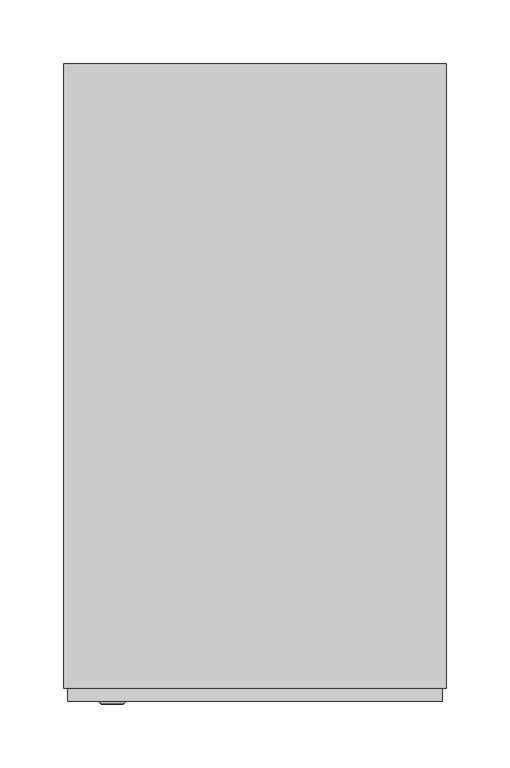
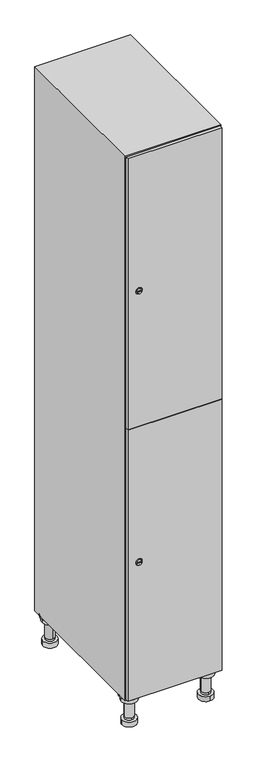
"""IFC4 building model written with IfcOpenShell, lengths in millimetres: furniture geometry."""

from ifc_helpers import new_model, si_unit, point, frame, frame_2d, origin, place, context, project, spatial, polyline, circle_curve, trimmed, segment, composite_curve, outline, extrude, faceted_brep, source, transform, mapped, element, save
from ifc_brep_helpers import plane_surface, cylinder_surface, revolved_surface, advanced_brep


def furniture_516c0c6d(model_context):
    return source(origin(), model_context, "Body", "SolidModel", [
        advanced_brep(
        [(70.0, -201.0, 22.0), (70.0, -201.5, 16.0), (70.0, -228.5, 16.0), (70.0, -229.0, 22.0), (56.0, -215.0, 22.0), (84.0, -215.0, 22.0), (70.0, -192.5, 16.0), (70.0, -237.5, 16.0), (70.0, -192.5, 0.0), (70.0, -237.5, 0.0), (84.0, -215.0, 78.0), (56.0, -215.0, 78.0), (95.0, -215.0, 78.0), (45.0, -215.0, 78.0), (100.0, -215.0, 94.0), (40.0, -215.0, 94.0), (45.0, -215.0, 94.0), (95.0, -215.0, 94.0), (100.0, -215.0, 100.0), (40.0, -215.0, 100.0)],
        [
            (0, 1),
            (1, 2, circle_curve(frame((70.0, -215.0, 16.0), z_axis=(0.0, 0.0, 1.0), x_axis=(0.0, -1.0, 0.0)), 13.5)),
            (2, 3),
            (3, 4, circle_curve(frame((70.0, -215.0, 22.0), z_axis=(0.0, 0.0, -1.0), x_axis=(0.0, -1.0, 0.0)), 14.0)),
            (4, 0, circle_curve(frame((70.0, -215.0, 22.0), z_axis=(0.0, 0.0, -1.0), x_axis=(0.0, -1.0, 0.0)), 14.0)),
            (0, 5, circle_curve(frame((70.0, -215.0, 22.0), z_axis=(0.0, 0.0, -1.0), x_axis=(0.0, 1.0, 0.0)), 14.0)),
            (5, 3, circle_curve(frame((70.0, -215.0, 22.0), z_axis=(0.0, 0.0, -1.0), x_axis=(0.0, 1.0, 0.0)), 14.0)),
            (2, 1, circle_curve(frame((70.0, -215.0, 16.0), z_axis=(0.0, 0.0, 1.0), x_axis=(0.0, 1.0, 0.0)), 13.5)),
            (6, 7, circle_curve(frame((70.0, -215.0, 16.0), z_axis=(0.0, 0.0, 1.0), x_axis=(0.0, -1.0, 0.0)), 22.5)),
            (7, 6, circle_curve(frame((70.0, -215.0, 16.0), z_axis=(0.0, 0.0, 1.0), x_axis=(0.0, -1.0, 0.0)), 22.5)),
            (8, 9, circle_curve(frame((70.0, -215.0, 0.0), z_axis=(0.0, 0.0, -1.0), x_axis=(0.0, -1.0, 0.0)), 22.5)),
            (9, 8, circle_curve(frame((70.0, -215.0, 0.0), z_axis=(0.0, 0.0, -1.0), x_axis=(0.0, -1.0, 0.0)), 22.5)),
            (6, 8),
            (9, 7),
            (5, 10),
            (10, 11, circle_curve(frame((70.0, -215.0, 78.0), z_axis=(0.0, 0.0, -1.0), x_axis=(-1.0, 0.0, 0.0)), 14.0)),
            (11, 4),
            (11, 10, circle_curve(frame((70.0, -215.0, 78.0), z_axis=(0.0, 0.0, -1.0), x_axis=(-1.0, 0.0, 0.0)), 14.0)),
            (12, 13, circle_curve(frame((70.0, -215.0, 78.0), z_axis=(0.0, 0.0, -1.0), x_axis=(-1.0, 0.0, 0.0)), 25.0)),
            (13, 12, circle_curve(frame((70.0, -215.0, 78.0), z_axis=(0.0, 0.0, -1.0), x_axis=(-1.0, 0.0, 0.0)), 25.0)),
            (14, 15, circle_curve(frame((70.0, -215.0, 94.0), z_axis=(0.0, 0.0, -1.0), x_axis=(-1.0, 0.0, 0.0)), 30.0)),
            (15, 14, circle_curve(frame((70.0, -215.0, 94.0), z_axis=(0.0, 0.0, -1.0), x_axis=(-1.0, 0.0, 0.0)), 30.0)),
            (16, 17, circle_curve(frame((70.0, -215.0, 94.0), z_axis=(0.0, 0.0, 1.0), x_axis=(-1.0, 0.0, 0.0)), 25.0)),
            (17, 16, circle_curve(frame((70.0, -215.0, 94.0), z_axis=(0.0, 0.0, 1.0), x_axis=(-1.0, 0.0, 0.0)), 25.0)),
            (18, 19, circle_curve(frame((70.0, -215.0, 100.0), z_axis=(0.0, 0.0, 1.0), x_axis=(-1.0, 0.0, 0.0)), 30.0)),
            (19, 18, circle_curve(frame((70.0, -215.0, 100.0), z_axis=(0.0, 0.0, 1.0), x_axis=(-1.0, 0.0, 0.0)), 30.0)),
            (14, 18),
            (19, 15),
            (12, 17),
            (16, 13),
        ],
        [
            revolved_surface(polyline([(70.0, -201.5, 16.0), (70.0, -201.0, 22.0)]), (70.0, -215.0, -146.0), (0.0, 0.0, 1.0)),
            plane_surface(frame((70.0, 0.0, 16.0), z_axis=(0.0, 0.0, 1.0), x_axis=(0.0, -1.0, 0.0))),
            plane_surface(frame((70.0, 0.0, 0.0), z_axis=(0.0, 0.0, -1.0), x_axis=(0.0, -1.0, 0.0))),
            cylinder_surface(frame((70.0, -215.0, 16.0), z_axis=(0.0, 0.0, 1.0), x_axis=(0.0, -1.0, 0.0)), 22.5),
            cylinder_surface(frame((70.0, -215.0, 22.0), z_axis=(0.0, 0.0, -1.0), x_axis=(-1.0, 0.0, 0.0)), 14.0),
            plane_surface(frame((70.0, 0.0, 78.0), z_axis=(0.0, 0.0, -1.0), x_axis=(0.0, -1.0, 0.0))),
            plane_surface(frame((70.0, 0.0, 94.0), z_axis=(0.0, 0.0, -1.0), x_axis=(0.0, -1.0, 0.0))),
            plane_surface(frame((70.0, 0.0, 100.0), z_axis=(0.0, 0.0, 1.0), x_axis=(0.0, -1.0, 0.0))),
            cylinder_surface(frame((70.0, -215.0, 94.0), z_axis=(0.0, 0.0, -1.0), x_axis=(-1.0, 0.0, 0.0)), 30.0),
            cylinder_surface(frame((70.0, -215.0, 78.0), z_axis=(0.0, 0.0, -1.0), x_axis=(-1.0, 0.0, 0.0)), 25.0),
        ],
        [
            (0, [[1, 2, 3, 4, 5]]),
            (0, [[-1, 6, 7, -3, 8]]),
            (1, [[9, 10], [-2, -8]]),
            (2, [[11, 12]]),
            (3, [[-9, 13, -12, 14]]),
            (3, [[-10, -14, -11, -13]]),
            (4, [[15, 16, 17, -4, -7]]),
            (4, [[-15, -6, -5, -17, 18]]),
            (5, [[19, 20], [-16, -18]]),
            (6, [[21, 22], [23, 24]]),
            (7, [[25, 26]]),
            (8, [[-21, 27, -26, 28]]),
            (8, [[-22, -28, -25, -27]]),
            (9, [[-19, 29, -23, 30]]),
            (9, [[-20, -30, -24, -29]]),
        ],
    ),
        advanced_brep(
        [(-170.0, -201.0, 22.0), (-170.0, -201.5, 16.0), (-170.0, -228.5, 16.0), (-170.0, -229.0, 22.0), (-184.0, -215.0, 22.0), (-156.0, -215.0, 22.0), (-147.5, -215.0, 0.0), (-192.5, -215.0, 0.0), (-147.5, -215.0, 16.0), (-192.5, -215.0, 16.0), (-156.0, -215.0, 78.0), (-184.0, -215.0, 78.0), (-145.0, -215.0, 78.0), (-195.0, -215.0, 78.0), (-140.0, -215.0, 94.0), (-200.0, -215.0, 94.0), (-195.0, -215.0, 94.0), (-145.0, -215.0, 94.0), (-140.0, -215.0, 100.0), (-200.0, -215.0, 100.0)],
        [
            (0, 1),
            (1, 2, circle_curve(frame((-170.0, -215.0, 16.0), z_axis=(0.0, 0.0, 1.0), x_axis=(0.0, -1.0, 0.0)), 13.5)),
            (2, 3),
            (3, 4, circle_curve(frame((-170.0, -215.0, 22.0), z_axis=(0.0, 0.0, -1.0), x_axis=(0.0, -1.0, 0.0)), 14.0)),
            (4, 0, circle_curve(frame((-170.0, -215.0, 22.0), z_axis=(0.0, 0.0, -1.0), x_axis=(0.0, -1.0, 0.0)), 14.0)),
            (0, 5, circle_curve(frame((-170.0, -215.0, 22.0), z_axis=(0.0, 0.0, -1.0), x_axis=(0.0, 1.0, 0.0)), 14.0)),
            (5, 3, circle_curve(frame((-170.0, -215.0, 22.0), z_axis=(0.0, 0.0, -1.0), x_axis=(0.0, 1.0, 0.0)), 14.0)),
            (2, 1, circle_curve(frame((-170.0, -215.0, 16.0), z_axis=(0.0, 0.0, 1.0), x_axis=(0.0, 1.0, 0.0)), 13.5)),
            (6, 7, circle_curve(frame((-170.0, -215.0, 0.0), z_axis=(0.0, 0.0, -1.0), x_axis=(-1.0, 0.0, 0.0)), 22.5)),
            (7, 6, circle_curve(frame((-170.0, -215.0, 0.0), z_axis=(0.0, 0.0, -1.0), x_axis=(-1.0, 0.0, 0.0)), 22.5)),
            (8, 9, circle_curve(frame((-170.0, -215.0, 16.0), z_axis=(0.0, 0.0, 1.0), x_axis=(-1.0, 0.0, 0.0)), 22.5)),
            (9, 8, circle_curve(frame((-170.0, -215.0, 16.0), z_axis=(0.0, 0.0, 1.0), x_axis=(-1.0, 0.0, 0.0)), 22.5)),
            (6, 8),
            (9, 7),
            (5, 10),
            (10, 11, circle_curve(frame((-170.0, -215.0, 78.0), z_axis=(0.0, 0.0, -1.0), x_axis=(-1.0, 0.0, 0.0)), 14.0)),
            (11, 4),
            (11, 10, circle_curve(frame((-170.0, -215.0, 78.0), z_axis=(0.0, 0.0, -1.0), x_axis=(-1.0, 0.0, 0.0)), 14.0)),
            (12, 13, circle_curve(frame((-170.0, -215.0, 78.0), z_axis=(0.0, 0.0, -1.0), x_axis=(-1.0, 0.0, 0.0)), 25.0)),
            (13, 12, circle_curve(frame((-170.0, -215.0, 78.0), z_axis=(0.0, 0.0, -1.0), x_axis=(-1.0, 0.0, 0.0)), 25.0)),
            (14, 15, circle_curve(frame((-170.0, -215.0, 94.0), z_axis=(0.0, 0.0, -1.0), x_axis=(-1.0, 0.0, 0.0)), 30.0)),
            (15, 14, circle_curve(frame((-170.0, -215.0, 94.0), z_axis=(0.0, 0.0, -1.0), x_axis=(-1.0, 0.0, 0.0)), 30.0)),
            (16, 17, circle_curve(frame((-170.0, -215.0, 94.0), z_axis=(0.0, 0.0, 1.0), x_axis=(-1.0, 0.0, 0.0)), 25.0)),
            (17, 16, circle_curve(frame((-170.0, -215.0, 94.0), z_axis=(0.0, 0.0, 1.0), x_axis=(-1.0, 0.0, 0.0)), 25.0)),
            (18, 19, circle_curve(frame((-170.0, -215.0, 100.0), z_axis=(0.0, 0.0, 1.0), x_axis=(-1.0, 0.0, 0.0)), 30.0)),
            (19, 18, circle_curve(frame((-170.0, -215.0, 100.0), z_axis=(0.0, 0.0, 1.0), x_axis=(-1.0, 0.0, 0.0)), 30.0)),
            (14, 18),
            (19, 15),
            (12, 17),
            (16, 13),
        ],
        [
            revolved_surface(polyline([(-170.0, -201.5, 16.0), (-170.0, -201.0, 22.0)]), (-170.0, -215.0, -146.0), (0.0, 0.0, 1.0)),
            plane_surface(frame((-170.0, 0.0, 0.0), z_axis=(0.0, 0.0, -1.0), x_axis=(0.0, -1.0, 0.0))),
            plane_surface(frame((-170.0, 0.0, 16.0), z_axis=(0.0, 0.0, 1.0), x_axis=(0.0, -1.0, 0.0))),
            cylinder_surface(frame((-170.0, -215.0, 0.0), z_axis=(0.0, 0.0, -1.0), x_axis=(-1.0, 0.0, 0.0)), 22.5),
            cylinder_surface(frame((-170.0, -215.0, 22.0), z_axis=(0.0, 0.0, -1.0), x_axis=(-1.0, 0.0, 0.0)), 14.0),
            plane_surface(frame((-170.0, 0.0, 78.0), z_axis=(0.0, 0.0, -1.0), x_axis=(0.0, -1.0, 0.0))),
            plane_surface(frame((-170.0, 0.0, 94.0), z_axis=(0.0, 0.0, -1.0), x_axis=(0.0, -1.0, 0.0))),
            plane_surface(frame((-170.0, 0.0, 100.0), z_axis=(0.0, 0.0, 1.0), x_axis=(0.0, -1.0, 0.0))),
            cylinder_surface(frame((-170.0, -215.0, 94.0), z_axis=(0.0, 0.0, -1.0), x_axis=(-1.0, 0.0, 0.0)), 30.0),
            cylinder_surface(frame((-170.0, -215.0, 78.0), z_axis=(0.0, 0.0, -1.0), x_axis=(-1.0, 0.0, 0.0)), 25.0),
        ],
        [
            (0, [[1, 2, 3, 4, 5]]),
            (0, [[-1, 6, 7, -3, 8]]),
            (1, [[9, 10]]),
            (2, [[11, 12], [-2, -8]]),
            (3, [[-9, 13, -12, 14]]),
            (3, [[-10, -14, -11, -13]]),
            (4, [[15, 16, 17, -4, -7]]),
            (4, [[-15, -6, -5, -17, 18]]),
            (5, [[19, 20], [-16, -18]]),
            (6, [[21, 22], [23, 24]]),
            (7, [[25, 26]]),
            (8, [[-21, 27, -26, 28]]),
            (8, [[-22, -28, -25, -27]]),
            (9, [[-19, 29, -23, 30]]),
            (9, [[-20, -30, -24, -29]]),
        ],
    ),
        advanced_brep(
        [(83.5, 215.0, 16.0), (84.0, 215.0, 22.0), (56.0, 215.0, 22.0), (56.5, 215.0, 16.0), (92.5, 215.0, 0.0), (47.5, 215.0, 0.0), (92.5, 215.0, 16.0), (47.5, 215.0, 16.0), (84.0, 215.0, 78.0), (56.0, 215.0, 78.0), (95.0, 215.0, 78.0), (45.0, 215.0, 78.0), (100.0, 215.0, 94.0), (40.0, 215.0, 94.0), (45.0, 215.0, 94.0), (95.0, 215.0, 94.0), (100.0, 215.0, 100.0), (40.0, 215.0, 100.0)],
        [
            (0, 1),
            (1, 2, circle_curve(frame((70.0, 215.0, 22.0), z_axis=(0.0, 0.0, -1.0), x_axis=(-1.0, 0.0, 0.0)), 14.0)),
            (2, 3),
            (3, 0, circle_curve(frame((70.0, 215.0, 16.0), z_axis=(0.0, 0.0, 1.0), x_axis=(-1.0, 0.0, 0.0)), 13.5)),
            (0, 3, circle_curve(frame((70.0, 215.0, 16.0), z_axis=(0.0, 0.0, 1.0), x_axis=(1.0, 0.0, 0.0)), 13.5)),
            (2, 1, circle_curve(frame((70.0, 215.0, 22.0), z_axis=(0.0, 0.0, -1.0), x_axis=(1.0, 0.0, 0.0)), 14.0)),
            (4, 5, circle_curve(frame((70.0, 215.0, 0.0), z_axis=(0.0, 0.0, -1.0), x_axis=(-1.0, 0.0, 0.0)), 22.5)),
            (5, 4, circle_curve(frame((70.0, 215.0, 0.0), z_axis=(0.0, 0.0, -1.0), x_axis=(-1.0, 0.0, 0.0)), 22.5)),
            (6, 7, circle_curve(frame((70.0, 215.0, 16.0), z_axis=(0.0, 0.0, 1.0), x_axis=(-1.0, 0.0, 0.0)), 22.5)),
            (7, 6, circle_curve(frame((70.0, 215.0, 16.0), z_axis=(0.0, 0.0, 1.0), x_axis=(-1.0, 0.0, 0.0)), 22.5)),
            (4, 6),
            (7, 5),
            (1, 8),
            (8, 9, circle_curve(frame((70.0, 215.0, 78.0), z_axis=(0.0, 0.0, -1.0), x_axis=(-1.0, 0.0, 0.0)), 14.0)),
            (9, 2),
            (9, 8, circle_curve(frame((70.0, 215.0, 78.0), z_axis=(0.0, 0.0, -1.0), x_axis=(-1.0, 0.0, 0.0)), 14.0)),
            (10, 11, circle_curve(frame((70.0, 215.0, 78.0), z_axis=(0.0, 0.0, -1.0), x_axis=(-1.0, 0.0, 0.0)), 25.0)),
            (11, 10, circle_curve(frame((70.0, 215.0, 78.0), z_axis=(0.0, 0.0, -1.0), x_axis=(-1.0, 0.0, 0.0)), 25.0)),
            (12, 13, circle_curve(frame((70.0, 215.0, 94.0), z_axis=(0.0, 0.0, -1.0), x_axis=(-1.0, 0.0, 0.0)), 30.0)),
            (13, 12, circle_curve(frame((70.0, 215.0, 94.0), z_axis=(0.0, 0.0, -1.0), x_axis=(-1.0, 0.0, 0.0)), 30.0)),
            (14, 15, circle_curve(frame((70.0, 215.0, 94.0), z_axis=(0.0, 0.0, 1.0), x_axis=(-1.0, 0.0, 0.0)), 25.0)),
            (15, 14, circle_curve(frame((70.0, 215.0, 94.0), z_axis=(0.0, 0.0, 1.0), x_axis=(-1.0, 0.0, 0.0)), 25.0)),
            (16, 17, circle_curve(frame((70.0, 215.0, 100.0), z_axis=(0.0, 0.0, 1.0), x_axis=(-1.0, 0.0, 0.0)), 30.0)),
            (17, 16, circle_curve(frame((70.0, 215.0, 100.0), z_axis=(0.0, 0.0, 1.0), x_axis=(-1.0, 0.0, 0.0)), 30.0)),
            (12, 16),
            (17, 13),
            (10, 15),
            (14, 11),
        ],
        [
            revolved_surface(polyline([(83.5, 215.0, 16.0), (84.0, 215.0, 22.0)]), (70.0, 215.0, -146.0), (0.0, 0.0, 1.0)),
            plane_surface(frame((70.0, 0.0, 0.0), z_axis=(0.0, 0.0, -1.0), x_axis=(0.0, -1.0, 0.0))),
            plane_surface(frame((70.0, 0.0, 16.0), z_axis=(0.0, 0.0, 1.0), x_axis=(0.0, -1.0, 0.0))),
            cylinder_surface(frame((70.0, 215.0, 0.0), z_axis=(0.0, 0.0, -1.0), x_axis=(-1.0, 0.0, 0.0)), 22.5),
            cylinder_surface(frame((70.0, 215.0, 22.0), z_axis=(0.0, 0.0, -1.0), x_axis=(-1.0, 0.0, 0.0)), 14.0),
            plane_surface(frame((70.0, 0.0, 78.0), z_axis=(0.0, 0.0, -1.0), x_axis=(0.0, -1.0, 0.0))),
            plane_surface(frame((70.0, 0.0, 94.0), z_axis=(0.0, 0.0, -1.0), x_axis=(0.0, -1.0, 0.0))),
            plane_surface(frame((70.0, 0.0, 100.0), z_axis=(0.0, 0.0, 1.0), x_axis=(0.0, -1.0, 0.0))),
            cylinder_surface(frame((70.0, 215.0, 94.0), z_axis=(0.0, 0.0, -1.0), x_axis=(-1.0, 0.0, 0.0)), 30.0),
            cylinder_surface(frame((70.0, 215.0, 78.0), z_axis=(0.0, 0.0, -1.0), x_axis=(-1.0, 0.0, 0.0)), 25.0),
        ],
        [
            (0, [[1, 2, 3, 4]]),
            (0, [[-1, 5, -3, 6]]),
            (1, [[7, 8]]),
            (2, [[9, 10], [-4, -5]]),
            (3, [[-7, 11, -10, 12]]),
            (3, [[-8, -12, -9, -11]]),
            (4, [[13, 14, 15, -2]]),
            (4, [[-13, -6, -15, 16]]),
            (5, [[17, 18], [-14, -16]]),
            (6, [[19, 20], [21, 22]]),
            (7, [[23, 24]]),
            (8, [[-19, 25, -24, 26]]),
            (8, [[-20, -26, -23, -25]]),
            (9, [[-17, 27, -21, 28]]),
            (9, [[-18, -28, -22, -27]]),
        ],
    ),
        advanced_brep(
        [(-156.5, 215.0, 16.0), (-156.0, 215.0, 22.0), (-170.0, 201.0, 22.0), (-184.0, 215.0, 22.0), (-183.5, 215.0, 16.0), (-170.0, 229.0, 22.0), (-147.5, 215.0, 0.0), (-192.5, 215.0, 0.0), (-147.5, 215.0, 16.0), (-192.5, 215.0, 16.0), (-170.0, 229.0, 78.0), (-170.0, 201.0, 78.0), (-145.0, 215.0, 78.0), (-195.0, 215.0, 78.0), (-140.0, 215.0, 94.0), (-200.0, 215.0, 94.0), (-195.0, 215.0, 94.0), (-145.0, 215.0, 94.0), (-140.0, 215.0, 100.0), (-200.0, 215.0, 100.0)],
        [
            (0, 1),
            (1, 2, circle_curve(frame((-170.0, 215.0, 22.0), z_axis=(0.0, 0.0, -1.0), x_axis=(-1.0, 0.0, 0.0)), 14.0)),
            (2, 3, circle_curve(frame((-170.0, 215.0, 22.0), z_axis=(0.0, 0.0, -1.0), x_axis=(-1.0, 0.0, 0.0)), 14.0)),
            (3, 4),
            (4, 0, circle_curve(frame((-170.0, 215.0, 16.0), z_axis=(0.0, 0.0, 1.0), x_axis=(-1.0, 0.0, 0.0)), 13.5)),
            (0, 4, circle_curve(frame((-170.0, 215.0, 16.0), z_axis=(0.0, 0.0, 1.0), x_axis=(1.0, 0.0, 0.0)), 13.5)),
            (3, 5, circle_curve(frame((-170.0, 215.0, 22.0), z_axis=(0.0, 0.0, -1.0), x_axis=(1.0, 0.0, 0.0)), 14.0)),
            (5, 1, circle_curve(frame((-170.0, 215.0, 22.0), z_axis=(0.0, 0.0, -1.0), x_axis=(1.0, 0.0, 0.0)), 14.0)),
            (6, 7, circle_curve(frame((-170.0, 215.0, 0.0), z_axis=(0.0, 0.0, -1.0), x_axis=(-1.0, 0.0, 0.0)), 22.5)),
            (7, 6, circle_curve(frame((-170.0, 215.0, 0.0), z_axis=(0.0, 0.0, -1.0), x_axis=(-1.0, 0.0, 0.0)), 22.5)),
            (8, 9, circle_curve(frame((-170.0, 215.0, 16.0), z_axis=(0.0, 0.0, 1.0), x_axis=(-1.0, 0.0, 0.0)), 22.5)),
            (9, 8, circle_curve(frame((-170.0, 215.0, 16.0), z_axis=(0.0, 0.0, 1.0), x_axis=(-1.0, 0.0, 0.0)), 22.5)),
            (6, 8),
            (9, 7),
            (10, 5),
            (2, 11),
            (11, 10, circle_curve(frame((-170.0, 215.0, 78.0), z_axis=(0.0, 0.0, -1.0), x_axis=(0.0, -1.0, 0.0)), 14.0)),
            (10, 11, circle_curve(frame((-170.0, 215.0, 78.0), z_axis=(0.0, 0.0, -1.0), x_axis=(0.0, -1.0, 0.0)), 14.0)),
            (12, 13, circle_curve(frame((-170.0, 215.0, 78.0), z_axis=(0.0, 0.0, -1.0), x_axis=(-1.0, 0.0, 0.0)), 25.0)),
            (13, 12, circle_curve(frame((-170.0, 215.0, 78.0), z_axis=(0.0, 0.0, -1.0), x_axis=(-1.0, 0.0, 0.0)), 25.0)),
            (14, 15, circle_curve(frame((-170.0, 215.0, 94.0), z_axis=(0.0, 0.0, -1.0), x_axis=(-1.0, 0.0, 0.0)), 30.0)),
            (15, 14, circle_curve(frame((-170.0, 215.0, 94.0), z_axis=(0.0, 0.0, -1.0), x_axis=(-1.0, 0.0, 0.0)), 30.0)),
            (16, 17, circle_curve(frame((-170.0, 215.0, 94.0), z_axis=(0.0, 0.0, 1.0), x_axis=(-1.0, 0.0, 0.0)), 25.0)),
            (17, 16, circle_curve(frame((-170.0, 215.0, 94.0), z_axis=(0.0, 0.0, 1.0), x_axis=(-1.0, 0.0, 0.0)), 25.0)),
            (18, 19, circle_curve(frame((-170.0, 215.0, 100.0), z_axis=(0.0, 0.0, 1.0), x_axis=(-1.0, 0.0, 0.0)), 30.0)),
            (19, 18, circle_curve(frame((-170.0, 215.0, 100.0), z_axis=(0.0, 0.0, 1.0), x_axis=(-1.0, 0.0, 0.0)), 30.0)),
            (14, 18),
            (19, 15),
            (12, 17),
            (16, 13),
        ],
        [
            revolved_surface(polyline([(-156.5, 215.0, 16.0), (-156.0, 215.0, 22.0)]), (-170.0, 215.0, -146.0), (0.0, 0.0, 1.0)),
            plane_surface(frame((-170.0, 0.0, 0.0), z_axis=(0.0, 0.0, -1.0), x_axis=(0.0, -1.0, 0.0))),
            plane_surface(frame((-170.0, 0.0, 16.0), z_axis=(0.0, 0.0, 1.0), x_axis=(0.0, -1.0, 0.0))),
            cylinder_surface(frame((-170.0, 215.0, 0.0), z_axis=(0.0, 0.0, -1.0), x_axis=(-1.0, 0.0, 0.0)), 22.5),
            cylinder_surface(frame((-170.0, 215.0, 78.0), z_axis=(0.0, 0.0, 1.0), x_axis=(0.0, -1.0, 0.0)), 14.0),
            plane_surface(frame((-170.0, 0.0, 78.0), z_axis=(0.0, 0.0, -1.0), x_axis=(0.0, -1.0, 0.0))),
            plane_surface(frame((-170.0, 0.0, 94.0), z_axis=(0.0, 0.0, -1.0), x_axis=(0.0, -1.0, 0.0))),
            plane_surface(frame((-170.0, 0.0, 100.0), z_axis=(0.0, 0.0, 1.0), x_axis=(0.0, -1.0, 0.0))),
            cylinder_surface(frame((-170.0, 215.0, 94.0), z_axis=(0.0, 0.0, -1.0), x_axis=(-1.0, 0.0, 0.0)), 30.0),
            cylinder_surface(frame((-170.0, 215.0, 78.0), z_axis=(0.0, 0.0, -1.0), x_axis=(-1.0, 0.0, 0.0)), 25.0),
        ],
        [
            (0, [[1, 2, 3, 4, 5]]),
            (0, [[-1, 6, -4, 7, 8]]),
            (1, [[9, 10]]),
            (2, [[11, 12], [-5, -6]]),
            (3, [[-9, 13, -12, 14]]),
            (3, [[-10, -14, -11, -13]]),
            (4, [[15, -7, -3, 16, 17]]),
            (4, [[-15, 18, -16, -2, -8]]),
            (5, [[19, 20], [-17, -18]]),
            (6, [[21, 22], [23, 24]]),
            (7, [[25, 26]]),
            (8, [[-21, 27, -26, 28]]),
            (8, [[-22, -28, -25, -27]]),
            (9, [[-19, 29, -23, 30]]),
            (9, [[-20, -30, -24, -29]]),
        ],
    ),
        extrude(outline(composite_curve([segment(trimmed(circle_curve(frame_2d((551.5, -188.7989466)), 7.0), [point((558.5, -188.7989466))], [point((544.5, -188.7989466))], False, "CARTESIAN"), True, "CONTINUOUS"), segment(polyline([(544.5, -188.7989466), (544.5, -160.7989466)]), True, "CONTINUOUS"), segment(trimmed(circle_curve(frame_2d((551.5, -160.7989466)), 7.0), [point((544.5, -160.7989466))], [point((558.5, -160.7989466))], False, "CARTESIAN"), True, "CONTINUOUS"), segment(polyline([(558.5, -160.7989466), (558.5, -188.7989466)]), True, "CONTINUOUS")], self_intersect=False)), frame((0.0, -245.0, 0.0), z_axis=(0.0, 1.0, 0.0), x_axis=(0.0, 0.0, 1.0)), (0.0, 0.0, 1.0), 2.0),
        advanced_brep(
        [(-153.5, -257.2, 551.5), (-170.5, -257.2, 551.5), (-167.0, -257.2, 550.25), (-167.0, -257.2, 552.75), (-157.0, -257.2, 552.75), (-157.0, -257.2, 550.25), (-151.5, -255.0, 551.5), (-172.5, -255.0, 551.5), (-167.0, -255.0, 552.75), (-167.0, -255.0, 550.25), (-157.0, -255.0, 550.25), (-157.0, -255.0, 552.75)],
        [
            (0, 1, circle_curve(frame((-162.0, -257.2, 551.5), z_axis=(0.0, -1.0, 0.0), x_axis=(1.0, 0.0, 0.0)), 8.5)),
            (1, 0, circle_curve(frame((-162.0, -257.2, 551.5), z_axis=(0.0, -1.0, 0.0), x_axis=(-1.0, 0.0, 0.0)), 8.5)),
            (2, 3),
            (3, 4),
            (4, 5),
            (5, 2),
            (6, 7, circle_curve(frame((-162.0, -255.0, 551.5), z_axis=(0.0, 1.0, 0.0), x_axis=(-1.0, 0.0, 0.0)), 10.5)),
            (7, 6, circle_curve(frame((-162.0, -255.0, 551.5), z_axis=(0.0, 1.0, 0.0), x_axis=(1.0, 0.0, 0.0)), 10.5)),
            (8, 9),
            (9, 10),
            (10, 11),
            (11, 8),
            (0, 6),
            (7, 1),
            (8, 3),
            (2, 9),
            (11, 4),
            (10, 5),
        ],
        [
            plane_surface(frame((-162.0, -257.2, 551.5), z_axis=(0.0, -1.0, 0.0), x_axis=(0.0, 0.0, 1.0))),
            plane_surface(frame((-162.0, -255.0, 551.5), z_axis=(0.0, 1.0, 0.0), x_axis=(0.0, 0.0, 1.0))),
            revolved_surface(polyline([(-153.5, -257.2, 551.5), (-151.5, -255.0, 551.5)]), (-162.0, -266.55, 551.5), (0.0, 1.0, 0.0)),
            revolved_surface(polyline([(-170.5, -257.2, 551.5), (-172.5, -255.0, 551.5)]), (-162.0, -266.55, 551.5), (0.0, 1.0, 0.0)),
            plane_surface(frame((-167.0, -255.0, 550.25), z_axis=(1.0, 0.0, 0.0), x_axis=(0.0, -1.0, 0.0))),
            plane_surface(frame((-167.0, -255.0, 552.75), z_axis=(0.0, 0.0, -1.0), x_axis=(0.0, -1.0, 0.0))),
            plane_surface(frame((-157.0, -255.0, 552.75), z_axis=(-1.0, 0.0, 0.0), x_axis=(0.0, -1.0, 0.0))),
            plane_surface(frame((-157.0, -255.0, 550.25), z_axis=(0.0, 0.0, 1.0), x_axis=(0.0, -1.0, 0.0))),
        ],
        [
            (0, [[1, 2], [3, 4, 5, 6]]),
            (1, [[7, 8], [9, 10, 11, 12]]),
            (2, [[-1, 13, -8, 14]]),
            (3, [[-2, -14, -7, -13]]),
            (4, [[15, -3, 16, -9]]),
            (5, [[-15, -12, 17, -4]]),
            (6, [[-17, -11, 18, -5]]),
            (7, [[-16, -6, -18, -10]]),
        ],
    ),
        extrude(outline(composite_curve([segment(trimmed(circle_curve(frame_2d((1448.5, -188.7989466)), 7.0), [point((1455.5, -188.7989466))], [point((1441.5, -188.7989466))], False, "CARTESIAN"), True, "CONTINUOUS"), segment(polyline([(1441.5, -188.7989466), (1441.5, -160.7989466)]), True, "CONTINUOUS"), segment(trimmed(circle_curve(frame_2d((1448.5, -160.7989466)), 7.0), [point((1441.5, -160.7989466))], [point((1455.5, -160.7989466))], False, "CARTESIAN"), True, "CONTINUOUS"), segment(polyline([(1455.5, -160.7989466), (1455.5, -188.7989466)]), True, "CONTINUOUS")], self_intersect=False)), frame((0.0, -245.0, 0.0), z_axis=(0.0, 1.0, 0.0), x_axis=(0.0, 0.0, 1.0)), (0.0, 0.0, 1.0), 2.0),
        advanced_brep(
        [(-153.5, -257.2, 1448.5), (-170.5, -257.2, 1448.5), (-167.0, -257.2, 1447.25), (-167.0, -257.2, 1449.75), (-157.0, -257.2, 1449.75), (-157.0, -257.2, 1447.25), (-151.5, -255.0, 1448.5), (-172.5, -255.0, 1448.5), (-167.0, -255.0, 1449.75), (-167.0, -255.0, 1447.25), (-157.0, -255.0, 1447.25), (-157.0, -255.0, 1449.75)],
        [
            (0, 1, circle_curve(frame((-162.0, -257.2, 1448.5), z_axis=(0.0, -1.0, 0.0), x_axis=(1.0, 0.0, 0.0)), 8.5)),
            (1, 0, circle_curve(frame((-162.0, -257.2, 1448.5), z_axis=(0.0, -1.0, 0.0), x_axis=(-1.0, 0.0, 0.0)), 8.5)),
            (2, 3),
            (3, 4),
            (4, 5),
            (5, 2),
            (6, 7, circle_curve(frame((-162.0, -255.0, 1448.5), z_axis=(0.0, 1.0, 0.0), x_axis=(-1.0, 0.0, 0.0)), 10.5)),
            (7, 6, circle_curve(frame((-162.0, -255.0, 1448.5), z_axis=(0.0, 1.0, 0.0), x_axis=(1.0, 0.0, 0.0)), 10.5)),
            (8, 9),
            (9, 10),
            (10, 11),
            (11, 8),
            (0, 6),
            (7, 1),
            (8, 3),
            (2, 9),
            (11, 4),
            (10, 5),
        ],
        [
            plane_surface(frame((-162.0, -257.2, 1448.5), z_axis=(0.0, -1.0, 0.0), x_axis=(0.0, 0.0, 1.0))),
            plane_surface(frame((-162.0, -255.0, 1448.5), z_axis=(0.0, 1.0, 0.0), x_axis=(0.0, 0.0, 1.0))),
            revolved_surface(polyline([(-153.5, -257.2, 1448.5), (-151.5, -255.0, 1448.5)]), (-162.0, -266.55, 1448.5), (0.0, 1.0, 0.0)),
            revolved_surface(polyline([(-170.5, -257.2, 1448.5), (-172.5, -255.0, 1448.5)]), (-162.0, -266.55, 1448.5), (0.0, 1.0, 0.0)),
            plane_surface(frame((-167.0, -255.0, 1447.25), z_axis=(1.0, 0.0, 0.0), x_axis=(0.0, -1.0, 0.0))),
            plane_surface(frame((-167.0, -255.0, 1449.75), z_axis=(0.0, 0.0, -1.0), x_axis=(0.0, -1.0, 0.0))),
            plane_surface(frame((-157.0, -255.0, 1449.75), z_axis=(-1.0, 0.0, 0.0), x_axis=(0.0, -1.0, 0.0))),
            plane_surface(frame((-157.0, -255.0, 1447.25), z_axis=(0.0, 0.0, 1.0), x_axis=(0.0, -1.0, 0.0))),
        ],
        [
            (0, [[1, 2], [3, 4, 5, 6]]),
            (1, [[7, 8], [9, 10, 11, 12]]),
            (2, [[-1, 13, -8, 14]]),
            (3, [[-2, -14, -7, -13]]),
            (4, [[15, -3, 16, -9]]),
            (5, [[-15, -12, 17, -4]]),
            (6, [[-17, -11, 18, -5]]),
            (7, [[-16, -6, -18, -10]]),
        ],
    ),
        extrude(outline(polyline([(-197.0, -255.0), (-197.0, -245.0), (97.0, -245.0), (97.0, -255.0), (-197.0, -255.0)])), frame((0.0, 0.0, 103.0), z_axis=(0.0, 0.0, 1.0), x_axis=(1.0, 0.0, 0.0)), (0.0, 0.0, 1.0), 896.5),
        extrude(outline(polyline([(97.0, -245.0), (97.0, -255.0), (-197.0, -255.0), (-197.0, -245.0), (97.0, -245.0)])), frame((0.0, 0.0, 1000.5), z_axis=(0.0, 0.0, 1.0), x_axis=(1.0, 0.0, 0.0)), (0.0, 0.0, 1.0), 896.5),
        extrude(outline(polyline([(90.0, 241.0), (90.0, -235.0), (-190.0, -235.0), (-190.0, 241.0), (90.0, 241.0)])), frame((0.0, 0.0, 995.0), z_axis=(0.0, 0.0, 1.0), x_axis=(1.0, 0.0, 0.0)), (0.0, 0.0, 1.0), 10.0),
        faceted_brep([(100.0, -245.0, 100.0), (100.0, -245.0, 1900.0), (-200.0, -245.0, 1900.0), (-200.0, -245.0, 100.0), (90.0, -245.0, 1890.0), (90.0, -245.0, 110.0), (-190.0, -245.0, 110.0), (-190.0, -245.0, 1890.0), (100.0, 245.0, 100.0), (-200.0, 245.0, 100.0), (100.0, 245.0, 1900.0), (-200.0, 245.0, 1900.0), (90.0, 241.0, 1890.0), (90.0, 241.0, 110.0), (-200.0, 245.0, 1890.0), (-190.0, 241.0, 1890.0), (-190.0, 241.0, 110.0)], [[[0, 1, 2, 3], [4, 5, 6, 7]], [[8, 0, 3, 9]], [[1, 0, 8, 10]], [[1, 10, 11, 2]], [[4, 12, 13, 5]], [[9, 3, 2, 11, 14]], [[10, 8, 9, 14, 11]], [[12, 15, 16, 13]], [[15, 7, 6, 16]], [[4, 7, 15, 12]], [[6, 5, 13, 16]]]),
    ])


if __name__ == "__main__":
    model = new_model("IFC4")
    model_context = context("Model", 3, world=origin())
    ifc_project = project(units=[si_unit("LENGTHUNIT", "METRE", prefix="MILLI")], contexts=[model_context])
    site = spatial("IfcSite", under=ifc_project)
    building = spatial("IfcBuilding", under=site)
    placement = place(None, origin())
    furniture_shape = furniture_516c0c6d(model_context)
    element("IfcFurniture", 1, at=placement, inside=building, context=model_context, shape_type="MappedRepresentation", body=[
        mapped(furniture_shape, transform((0.0, 0.0, 0.0), x_axis=(1.0, 0.0, 0.0), y_axis=(0.0, 1.0, 0.0), z_axis=(0.0, 0.0, 1.0))),
    ])
    save(model, "model.ifc")
